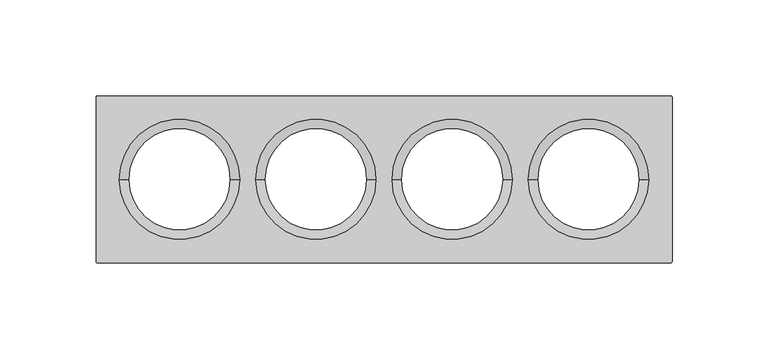
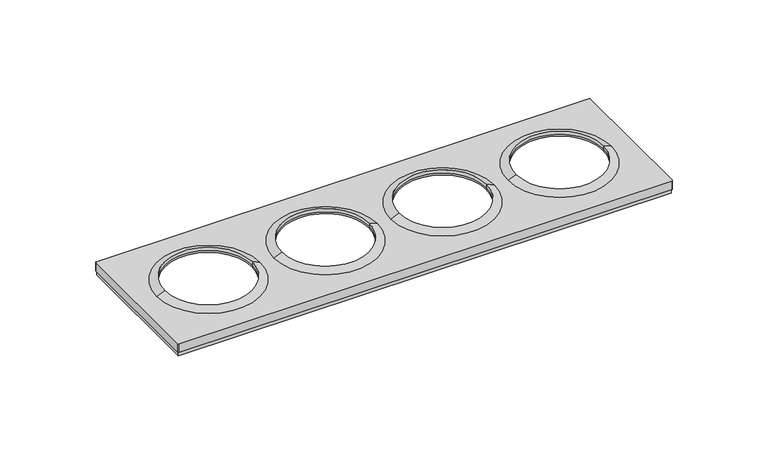
"""IFC4 building model written with IfcOpenShell, lengths in millimetres: proxy geometry."""

from ifc_helpers import new_model, si_unit, frame, origin, place, context, project, spatial, polyline, circle_curve, source, transform, mapped, element, save
from ifc_brep_helpers import plane_surface, cylinder_surface, revolved_surface, advanced_brep


def electrical_fixtures_aa1bfe47(model_context):
    return source(origin(), model_context, "Body", "AdvancedBrep", [
        advanced_brep(
        [(-149.5, -43.0, 0.0), (-149.5, 43.0, 0.0), (149.5, 43.0, 0.0), (149.5, -43.0, 0.0), (-149.0, -42.5, 0.0), (149.0, -42.5, 0.0), (149.0, 42.5, 0.0), (-149.0, 42.5, 0.0), (149.5, -43.0, 2.5), (-149.5, -43.0, 2.5), (149.5, 43.0, 2.5), (-149.5, 43.0, 2.5), (-150.0, -42.9369707, 8.0076008), (-149.4369707, -43.5, 8.0076008), (149.4369707, -43.5, 8.0076008), (150.0, -42.9369707, 8.0076008), (150.0, 42.9369707, 8.0076008), (149.4369707, 43.5, 8.0076008), (-149.4369707, 43.5, 8.0076008), (-150.0, 42.9369707, 8.0076008), (75.2158437, 0.0, 8.0076008), (137.7841563, 0.0, 8.0076008), (-137.7841563, 0.0, 8.0076008), (-75.2158437, 0.0, 8.0076008), (4.2158437, 0.0, 8.0076008), (66.7841563, 0.0, 8.0076008), (-66.7841563, 0.0, 8.0076008), (-4.2158437, 0.0, 8.0076008), (-150.0, -42.9369707, 2.5), (-150.0, 42.9369707, 2.5), (-149.4369707, 43.5, 2.5), (149.4369707, 43.5, 2.5), (150.0, 42.9369707, 2.5), (150.0, -42.9369707, 2.5), (149.4369707, -43.5, 2.5), (-149.4369707, -43.5, 2.5), (-133.0, 0.0, 10.1), (-80.0, 0.0, 10.1), (-133.0, 0.0, 8.0076008), (-80.0, 0.0, 8.0076008), (80.0, 0.0, 10.1), (133.0, 0.0, 10.1), (80.0, 0.0, 8.0076008), (133.0, 0.0, 8.0076008), (133.0, 0.0, 6.7956384), (80.0, 0.0, 6.7956384), (-80.0, 0.0, 6.7956384), (-133.0, 0.0, 6.7956384), (149.0, 42.5, 6.7956384), (149.0, -42.5, 6.7956384), (-149.0, -42.5, 6.7956384), (-149.0, 42.5, 6.7956384), (-9.0, 0.0, 6.7956384), (-62.0, 0.0, 6.7956384), (62.0, 0.0, 6.7956384), (9.0, 0.0, 6.7956384), (-62.0, 0.0, 10.1), (-9.0, 0.0, 10.1), (-62.0, 0.0, 8.0076008), (-9.0, 0.0, 8.0076008), (9.0, 0.0, 10.1), (62.0, 0.0, 10.1), (9.0, 0.0, 8.0076008), (62.0, 0.0, 8.0076008)],
        [
            (0, 1),
            (1, 2),
            (2, 3),
            (3, 0),
            (4, 5),
            (5, 6),
            (6, 7),
            (7, 4),
            (3, 8),
            (8, 9),
            (9, 0),
            (2, 10),
            (10, 8),
            (1, 11),
            (11, 10),
            (9, 11),
            (12, 13, circle_curve(frame((-149.4369707, -42.9369707, 8.0076008), z_axis=(0.0, 0.0, 1.0), x_axis=(1.0, 0.0, 0.0)), 0.5630293)),
            (13, 14),
            (14, 15, circle_curve(frame((149.4369707, -42.9369707, 8.0076008), z_axis=(0.0, 0.0, 1.0), x_axis=(-1.0, 0.0, 0.0)), 0.5630293)),
            (15, 16),
            (16, 17, circle_curve(frame((149.4369707, 42.9369707, 8.0076008), z_axis=(0.0, 0.0, 1.0), x_axis=(-1.0, 0.0, 0.0)), 0.5630293)),
            (17, 18),
            (18, 19, circle_curve(frame((-149.4369707, 42.9369707, 8.0076008), z_axis=(0.0, 0.0, 1.0), x_axis=(1.0, 0.0, 0.0)), 0.5630293)),
            (19, 12),
            (20, 21, circle_curve(frame((106.5, 0.0, 8.0076008), z_axis=(0.0, 0.0, -1.0), x_axis=(-1.0, 0.0, 0.0)), 31.2841563)),
            (21, 20, circle_curve(frame((106.5, 0.0, 8.0076008), z_axis=(0.0, 0.0, -1.0), x_axis=(-1.0, 0.0, 0.0)), 31.2841563)),
            (22, 23, circle_curve(frame((-106.5, 0.0, 8.0076008), z_axis=(0.0, 0.0, -1.0), x_axis=(-1.0, 0.0, 0.0)), 31.2841563)),
            (23, 22, circle_curve(frame((-106.5, 0.0, 8.0076008), z_axis=(0.0, 0.0, -1.0), x_axis=(-1.0, 0.0, 0.0)), 31.2841563)),
            (24, 25, circle_curve(frame((35.5, 0.0, 8.0076008), z_axis=(0.0, 0.0, -1.0), x_axis=(-1.0, 0.0, 0.0)), 31.2841563)),
            (25, 24, circle_curve(frame((35.5, 0.0, 8.0076008), z_axis=(0.0, 0.0, -1.0), x_axis=(-1.0, 0.0, 0.0)), 31.2841563)),
            (26, 27, circle_curve(frame((-35.5, 0.0, 8.0076008), z_axis=(0.0, 0.0, -1.0), x_axis=(-1.0, 0.0, 0.0)), 31.2841563)),
            (27, 26, circle_curve(frame((-35.5, 0.0, 8.0076008), z_axis=(0.0, 0.0, -1.0), x_axis=(-1.0, 0.0, 0.0)), 31.2841563)),
            (28, 29),
            (29, 30, circle_curve(frame((-149.4369707, 42.9369707, 2.5), z_axis=(0.0, 0.0, -1.0), x_axis=(1.0, 0.0, 0.0)), 0.5630293)),
            (30, 31),
            (31, 32, circle_curve(frame((149.4369707, 42.9369707, 2.5), z_axis=(0.0, 0.0, -1.0), x_axis=(-1.0, 0.0, 0.0)), 0.5630293)),
            (32, 33),
            (33, 34, circle_curve(frame((149.4369707, -42.9369707, 2.5), z_axis=(0.0, 0.0, -1.0), x_axis=(-1.0, 0.0, 0.0)), 0.5630293)),
            (34, 35),
            (35, 28, circle_curve(frame((-149.4369707, -42.9369707, 2.5), z_axis=(0.0, 0.0, -1.0), x_axis=(1.0, 0.0, 0.0)), 0.5630293)),
            (12, 28),
            (35, 13),
            (34, 14),
            (33, 15),
            (32, 16),
            (31, 17),
            (30, 18),
            (29, 19),
            (22, 36),
            (36, 37, circle_curve(frame((-106.5, 0.0, 10.1), z_axis=(0.0, 0.0, -1.0), x_axis=(-1.0, 0.0, 0.0)), 26.5)),
            (37, 23),
            (37, 36, circle_curve(frame((-106.5, 0.0, 10.1), z_axis=(0.0, 0.0, -1.0), x_axis=(-1.0, 0.0, 0.0)), 26.5)),
            (36, 38),
            (38, 39, circle_curve(frame((-106.5, 0.0, 8.0076008), z_axis=(0.0, 0.0, -1.0), x_axis=(-1.0, 0.0, 0.0)), 26.5)),
            (39, 37),
            (39, 38, circle_curve(frame((-106.5, 0.0, 8.0076008), z_axis=(0.0, 0.0, -1.0), x_axis=(-1.0, 0.0, 0.0)), 26.5)),
            (20, 40),
            (40, 41, circle_curve(frame((106.5, 0.0, 10.1), z_axis=(0.0, 0.0, -1.0), x_axis=(-1.0, 0.0, 0.0)), 26.5)),
            (41, 21),
            (41, 40, circle_curve(frame((106.5, 0.0, 10.1), z_axis=(0.0, 0.0, -1.0), x_axis=(-1.0, 0.0, 0.0)), 26.5)),
            (40, 42),
            (42, 43, circle_curve(frame((106.5, 0.0, 8.0076008), z_axis=(0.0, 0.0, -1.0), x_axis=(-1.0, 0.0, 0.0)), 26.5)),
            (43, 41),
            (43, 42, circle_curve(frame((106.5, 0.0, 8.0076008), z_axis=(0.0, 0.0, -1.0), x_axis=(-1.0, 0.0, 0.0)), 26.5)),
            (44, 43),
            (42, 45),
            (45, 44, circle_curve(frame((106.5, 0.0, 6.7956384), z_axis=(0.0, 0.0, -1.0), x_axis=(-1.0, 0.0, 0.0)), 26.5)),
            (44, 45, circle_curve(frame((106.5, 0.0, 6.7956384), z_axis=(0.0, 0.0, -1.0), x_axis=(-1.0, 0.0, 0.0)), 26.5)),
            (46, 39),
            (38, 47),
            (47, 46, circle_curve(frame((-106.5, 0.0, 6.7956384), z_axis=(0.0, 0.0, -1.0), x_axis=(-1.0, 0.0, 0.0)), 26.5)),
            (46, 47, circle_curve(frame((-106.5, 0.0, 6.7956384), z_axis=(0.0, 0.0, -1.0), x_axis=(-1.0, 0.0, 0.0)), 26.5)),
            (48, 49),
            (49, 50),
            (50, 51),
            (51, 48),
            (52, 53, circle_curve(frame((-35.5, 0.0, 6.7956384), z_axis=(0.0, 0.0, 1.0), x_axis=(-1.0, 0.0, 0.0)), 26.5)),
            (53, 52, circle_curve(frame((-35.5, 0.0, 6.7956384), z_axis=(0.0, 0.0, 1.0), x_axis=(-1.0, 0.0, 0.0)), 26.5)),
            (54, 55, circle_curve(frame((35.5, 0.0, 6.7956384), z_axis=(0.0, 0.0, 1.0), x_axis=(-1.0, 0.0, 0.0)), 26.5)),
            (55, 54, circle_curve(frame((35.5, 0.0, 6.7956384), z_axis=(0.0, 0.0, 1.0), x_axis=(-1.0, 0.0, 0.0)), 26.5)),
            (51, 7),
            (6, 48),
            (50, 4),
            (49, 5),
            (26, 56),
            (56, 57, circle_curve(frame((-35.5, 0.0, 10.1), z_axis=(0.0, 0.0, -1.0), x_axis=(-1.0, 0.0, 0.0)), 26.5)),
            (57, 27),
            (57, 56, circle_curve(frame((-35.5, 0.0, 10.1), z_axis=(0.0, 0.0, -1.0), x_axis=(-1.0, 0.0, 0.0)), 26.5)),
            (56, 58),
            (58, 59, circle_curve(frame((-35.5, 0.0, 8.0076008), z_axis=(0.0, 0.0, -1.0), x_axis=(-1.0, 0.0, 0.0)), 26.5)),
            (59, 57),
            (59, 58, circle_curve(frame((-35.5, 0.0, 8.0076008), z_axis=(0.0, 0.0, -1.0), x_axis=(-1.0, 0.0, 0.0)), 26.5)),
            (52, 59),
            (58, 53),
            (24, 60),
            (60, 61, circle_curve(frame((35.5, 0.0, 10.1), z_axis=(0.0, 0.0, -1.0), x_axis=(-1.0, 0.0, 0.0)), 26.5)),
            (61, 25),
            (61, 60, circle_curve(frame((35.5, 0.0, 10.1), z_axis=(0.0, 0.0, -1.0), x_axis=(-1.0, 0.0, 0.0)), 26.5)),
            (60, 62),
            (62, 63, circle_curve(frame((35.5, 0.0, 8.0076008), z_axis=(0.0, 0.0, -1.0), x_axis=(-1.0, 0.0, 0.0)), 26.5)),
            (63, 61),
            (63, 62, circle_curve(frame((35.5, 0.0, 8.0076008), z_axis=(0.0, 0.0, -1.0), x_axis=(-1.0, 0.0, 0.0)), 26.5)),
            (54, 63),
            (62, 55),
        ],
        [
            plane_surface(frame((-43.0003046, -43.0, 0.0), z_axis=(0.0, 0.0, -1.0), x_axis=(-1.0, 0.0, 0.0))),
            plane_surface(frame((-149.5, -43.0, 2.5), z_axis=(0.0, -1.0, 0.0), x_axis=(0.0, 0.0, -1.0))),
            plane_surface(frame((149.5, -43.0, 2.5), z_axis=(1.0, 0.0, 0.0), x_axis=(0.0, 0.0, -1.0))),
            plane_surface(frame((149.5, 43.0, 2.5), z_axis=(0.0, 1.0, 0.0), x_axis=(0.0, 0.0, -1.0))),
            plane_surface(frame((-149.5, 43.0, 2.5), z_axis=(-1.0, 0.0, 0.0), x_axis=(0.0, 0.0, -1.0))),
            plane_surface(frame((-148.8739414, -42.9369707, 8.0076008), z_axis=(0.0, 0.0, 1.0), x_axis=(0.0, 1.0, 0.0))),
            plane_surface(frame((-148.8739414, -42.9369707, 2.5), z_axis=(0.0, 0.0, -1.0), x_axis=(0.0, -1.0, 0.0))),
            cylinder_surface(frame((-149.4369707, -42.9369707, 2.5), z_axis=(0.0, 0.0, 1.0), x_axis=(1.0, 0.0, 0.0)), 0.5630293),
            plane_surface(frame((-149.4369707, -43.5, 8.0076008), z_axis=(0.0, -1.0, 0.0), x_axis=(0.0, 0.0, -1.0))),
            cylinder_surface(frame((149.4369707, -42.9369707, 2.5), z_axis=(0.0, 0.0, 1.0), x_axis=(-1.0, 0.0, 0.0)), 0.5630293),
            plane_surface(frame((150.0, -42.9369707, 8.0076008), z_axis=(1.0, 0.0, 0.0), x_axis=(0.0, 0.0, -1.0))),
            cylinder_surface(frame((149.4369707, 42.9369707, 2.5), z_axis=(0.0, 0.0, 1.0), x_axis=(-1.0, 0.0, 0.0)), 0.5630293),
            plane_surface(frame((149.4369707, 43.5, 8.0076008), z_axis=(0.0, 1.0, 0.0), x_axis=(0.0, 0.0, -1.0))),
            cylinder_surface(frame((-149.4369707, 42.9369707, 2.5), z_axis=(0.0, 0.0, 1.0), x_axis=(1.0, 0.0, 0.0)), 0.5630293),
            plane_surface(frame((-150.0, 42.9369707, 8.0076008), z_axis=(-1.0, 0.0, 0.0), x_axis=(0.0, 0.0, -1.0))),
            revolved_surface(polyline([(-133.0, 0.0, 10.1), (-137.7841563, 0.0, 8.0076008)]), (-106.5, 0.0, 2609.0581012), (0.0, 0.0, -1.0)),
            revolved_surface(polyline([(-133.0, 0.0, 8.007600800000091), (-133.0, 0.0, 10.099999999999909)]), (-106.5, 0.0, 2609.0581012), (0.0, 0.0, -1.0)),
            revolved_surface(polyline([(80.0, 0.0, 10.1), (75.2158437, 0.0, 8.0076008)]), (106.5, 0.0, 2609.0581012), (0.0, 0.0, -1.0)),
            revolved_surface(polyline([(80.0, 0.0, 8.007600800000091), (80.0, 0.0, 10.099999999999909)]), (106.5, 0.0, 2609.0581012), (0.0, 0.0, -1.0)),
            revolved_surface(polyline([(80.0, 0.0, 8.0076008), (80.0, 0.0, 6.7956384)]), (106.5, 0.0, 0.0), (0.0, 0.0, 1.0)),
            revolved_surface(polyline([(-133.0, 0.0, 8.0076008), (-133.0, 0.0, 6.7956384)]), (-106.5, 0.0, 0.0), (0.0, 0.0, 1.0)),
            plane_surface(frame((-42.5, 42.5, 6.7956384), z_axis=(0.0, 0.0, -1.0), x_axis=(-1.0, 0.0, 0.0))),
            plane_surface(frame((149.0, 42.5, 6.7956384), z_axis=(0.0, -1.0, 0.0), x_axis=(0.0, 0.0, -1.0))),
            plane_surface(frame((-149.0, 42.5, 6.7956384), z_axis=(1.0, 0.0, 0.0), x_axis=(0.0, 0.0, -1.0))),
            plane_surface(frame((-149.0, -42.5, 6.7956384), z_axis=(0.0, 1.0, 0.0), x_axis=(0.0, 0.0, -1.0))),
            plane_surface(frame((149.0, -42.5, 6.7956384), z_axis=(-1.0, 0.0, 0.0), x_axis=(0.0, 0.0, -1.0))),
            revolved_surface(polyline([(-62.0, 0.0, 10.1), (-66.7841563, 0.0, 8.0076008)]), (-35.5, 0.0, 2609.0581012), (0.0, 0.0, -1.0)),
            revolved_surface(polyline([(-62.0, 0.0, 8.007600800000091), (-62.0, 0.0, 10.099999999999909)]), (-35.5, 0.0, 2609.0581012), (0.0, 0.0, -1.0)),
            revolved_surface(polyline([(-62.0, 0.0, 8.0076008), (-62.0, 0.0, 6.7956384)]), (-35.5, 0.0, 0.0), (0.0, 0.0, 1.0)),
            revolved_surface(polyline([(9.0, 0.0, 10.1), (4.2158437, 0.0, 8.0076008)]), (35.5, 0.0, 2609.0581012), (0.0, 0.0, -1.0)),
            revolved_surface(polyline([(9.0, 0.0, 8.007600800000091), (9.0, 0.0, 10.099999999999909)]), (35.5, 0.0, 2609.0581012), (0.0, 0.0, -1.0)),
            revolved_surface(polyline([(9.0, 0.0, 8.0076008), (9.0, 0.0, 6.7956384)]), (35.5, 0.0, 0.0), (0.0, 0.0, 1.0)),
        ],
        [
            (0, [[1, 2, 3, 4], [5, 6, 7, 8]]),
            (1, [[-4, 9, 10, 11]]),
            (2, [[-3, 12, 13, -9]]),
            (3, [[-2, 14, 15, -12]]),
            (4, [[-1, -11, 16, -14]]),
            (5, [[17, 18, 19, 20, 21, 22, 23, 24], [25, 26], [27, 28], [29, 30], [31, 32]]),
            (6, [[33, 34, 35, 36, 37, 38, 39, 40], [-10, -13, -15, -16]]),
            (7, [[-17, 41, -40, 42]]),
            (8, [[-18, -42, -39, 43]]),
            (9, [[-19, -43, -38, 44]]),
            (10, [[-20, -44, -37, 45]]),
            (11, [[-21, -45, -36, 46]]),
            (12, [[-22, -46, -35, 47]]),
            (13, [[-23, -47, -34, 48]]),
            (14, [[-24, -48, -33, -41]]),
            (15, [[49, 50, 51, -27]]),
            (15, [[-49, -28, -51, 52]]),
            (16, [[-50, 53, 54, 55]]),
            (16, [[-52, -55, 56, -53]]),
            (17, [[57, 58, 59, -25]]),
            (17, [[-57, -26, -59, 60]]),
            (18, [[-58, 61, 62, 63]]),
            (18, [[-60, -63, 64, -61]]),
            (19, [[65, -62, 66, 67]]),
            (19, [[-65, 68, -66, -64]]),
            (20, [[69, -54, 70, 71]]),
            (20, [[-69, 72, -70, -56]]),
            (21, [[73, 74, 75, 76], [-67, -68], [-71, -72], [77, 78], [79, 80]]),
            (22, [[-76, 81, -7, 82]]),
            (23, [[-75, 83, -8, -81]]),
            (24, [[-74, 84, -5, -83]]),
            (25, [[-73, -82, -6, -84]]),
            (26, [[85, 86, 87, -31]]),
            (26, [[-85, -32, -87, 88]]),
            (27, [[-86, 89, 90, 91]]),
            (27, [[-88, -91, 92, -89]]),
            (28, [[93, -90, 94, -77]]),
            (28, [[-93, -78, -94, -92]]),
            (29, [[95, 96, 97, -29]]),
            (29, [[-95, -30, -97, 98]]),
            (30, [[-96, 99, 100, 101]]),
            (30, [[-98, -101, 102, -99]]),
            (31, [[103, -100, 104, -79]]),
            (31, [[-103, -80, -104, -102]]),
        ],
    ),
    ])


if __name__ == "__main__":
    model = new_model("IFC4")
    model_context = context("Model", 3, world=origin())
    ifc_project = project(units=[si_unit("LENGTHUNIT", "METRE", prefix="MILLI")], contexts=[model_context])
    site = spatial("IfcSite", under=ifc_project)
    building = spatial("IfcBuilding", under=site)
    placement = place(None, origin())
    electrical_fixtures_shape = electrical_fixtures_aa1bfe47(model_context)
    element("IfcBuildingElementProxy", 1, Name="Electrical Fixtures", at=placement, inside=building, context=model_context, shape_type="MappedRepresentation", body=[
        mapped(electrical_fixtures_shape, transform((0.0, 0.0, 0.0), x_axis=(1.0, 0.0, 0.0), y_axis=(0.0, 1.0, 0.0), z_axis=(0.0, 0.0, 1.0))),
    ])
    save(model, "model.ifc")
